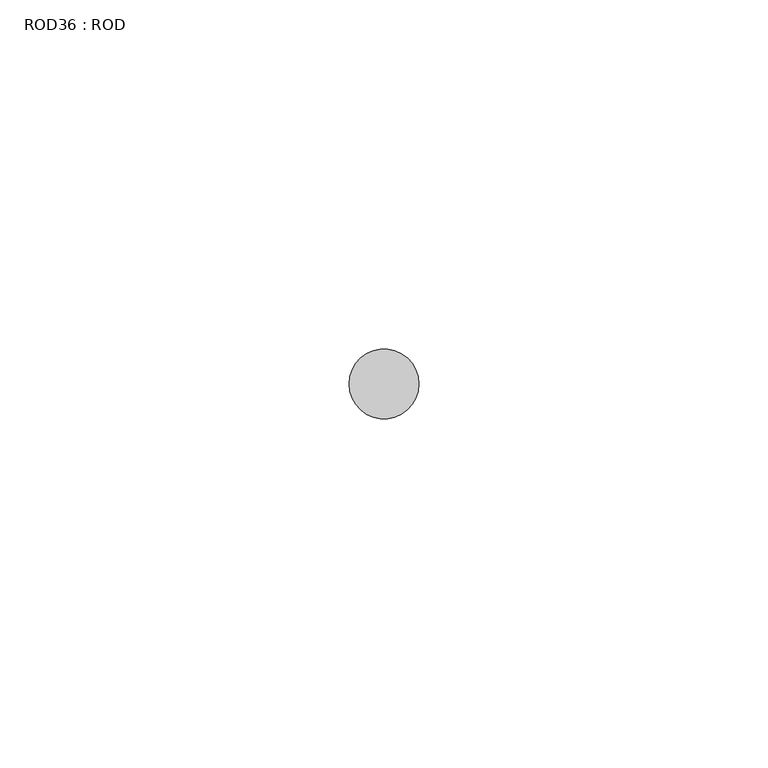
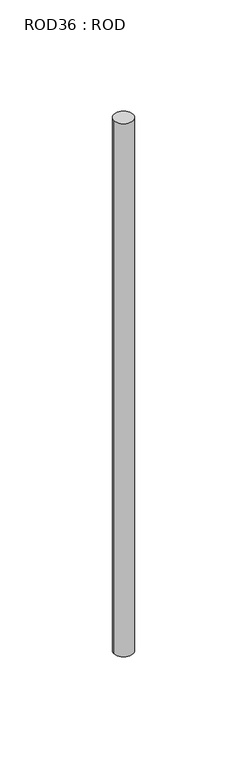
"""IFC4 building model written with IfcOpenShell, lengths in millimetres: proxy geometry, ROD36 : ROD."""

import ifcopenshell
import ifcopenshell.guid

model = None  # the IFC model being written
_history = None  # IfcOwnerHistory: only IFC2X3 demands one
_inside = {}  # id of a spatial element -> (the spatial element, [elements in it])
_under = {}  # id of a project, library or spatial element -> (it, [spatial elements below it])
_declared = {}  # id of a project -> (the project, [libraries it declares])
_typed = {}  # id of a type object -> (the type object, [elements of that type])
_made_of = {}  # id of a material, layer set ... -> (it, [elements and type objects made of it])


def new_model(schema):
    """Start an empty IFC model of exactly this schema.

    Asked for "IFC4X3", IfcOpenShell would pick the latest addendum, in which some entities
    have other attributes; the version numbers below select the first issue.
    IFC2X3 requires an IfcOwnerHistory on every rooted entity: one is made here for all.
    """
    global model, _history
    if schema == "IFC4X3":
        model = ifcopenshell.file(schema_version=(4, 3, 0, 0))
    else:
        model = ifcopenshell.file(schema=schema)
    _inside.clear()
    _under.clear()
    _declared.clear()
    _typed.clear()
    _made_of.clear()
    _history = None
    if model.schema == "IFC2X3":
        org = make("IfcOrganization", Name="unknown")
        user = make(
            "IfcPersonAndOrganization",
            ThePerson=make("IfcPerson", FamilyName="unknown"),
            TheOrganization=org,
        )
        app = make(
            "IfcApplication",
            ApplicationDeveloper=org,
            Version="unknown",
            ApplicationFullName="unknown",
            ApplicationIdentifier="unknown",
        )
        _history = make(
            "IfcOwnerHistory",
            OwningUser=user,
            OwningApplication=app,
            ChangeAction="ADDED",
            CreationDate=0,
        )
    return model


def make(cls, **values):
    """One entity of the class cls with the attributes given. An attribute that is None is left unset."""
    return model.create_entity(
        cls, **{name: value for name, value in values.items() if value is not None}
    )


def rooted(cls, **values):
    """An entity with a GlobalId (a new one), such as an element, a storey or a relation."""
    return make(cls, GlobalId=ifcopenshell.guid.new(), OwnerHistory=_history, **values)


def si_unit(unit_type, name, prefix=None):
    """IfcSIUnit, for example si_unit("LENGTHUNIT", "METRE", prefix="MILLI")."""
    return make("IfcSIUnit", UnitType=unit_type, Prefix=prefix, Name=name)


def assignment(units):
    """IfcUnitAssignment: the units of a project."""
    return None if units is None else make("IfcUnitAssignment", Units=units)


def point(xyz):
    """IfcCartesianPoint."""
    return None if xyz is None else make("IfcCartesianPoint", Coordinates=xyz)


def direction(xyz):
    """IfcDirection."""
    return None if xyz is None else make("IfcDirection", DirectionRatios=xyz)


def frame(location, z_axis=None, x_axis=None):
    """IfcAxis2Placement3D, a coordinate frame: its origin and axes. An axis left out is left unset."""
    return make(
        "IfcAxis2Placement3D",
        Location=point(location),
        Axis=direction(z_axis),
        RefDirection=direction(x_axis),
    )


def frame_2d(location, x_axis=None):
    """IfcAxis2Placement2D, a coordinate frame in the plane: its origin and x axis."""
    return make(
        "IfcAxis2Placement2D", Location=point(location), RefDirection=direction(x_axis)
    )


def origin():
    """The frame at (0, 0, 0) with its axes left unset."""
    return frame((0.0, 0.0, 0.0))


def place(relative_to, where):
    """IfcLocalPlacement: puts the frame where relative to a parent placement (None: the world)."""
    return make(
        "IfcLocalPlacement", PlacementRelTo=relative_to, RelativePlacement=where
    )


def context(
    kind, dimensions, precision=None, world=None, true_north=None, identifier=None
):
    """IfcGeometricRepresentationContext, for example the 3D "Model" context."""
    return make(
        "IfcGeometricRepresentationContext",
        ContextIdentifier=identifier,
        ContextType=kind,
        CoordinateSpaceDimension=dimensions,
        Precision=precision,
        WorldCoordinateSystem=world,
        TrueNorth=true_north,
    )


def project(units=None, contexts=None):
    """IfcProject with its units and contexts."""
    return rooted(
        "IfcProject",
        Name="project",
        RepresentationContexts=contexts,
        UnitsInContext=assignment(units),
    )


def spatial(cls, under=None, at=None, **own):
    """A site, building, storey or space (cls), placed at a placement, below another one or the project."""
    s = rooted(cls, ObjectPlacement=at, **own)
    if under is not None:
        _under.setdefault(under.id(), (under, []))[1].append(s)
    return s


def circle_curve(where, radius):
    """IfcCircle in the frame where."""
    return make("IfcCircle", Position=where, Radius=radius)


def trimmed(basis, trim1, trim2, sense, master):
    """IfcTrimmedCurve: the piece of a basis curve between two trims."""
    return make(
        "IfcTrimmedCurve",
        BasisCurve=basis,
        Trim1=trim1,
        Trim2=trim2,
        SenseAgreement=sense,
        MasterRepresentation=master,
    )


def segment(curve, same_sense, transition):
    """IfcCompositeCurveSegment."""
    return make(
        "IfcCompositeCurveSegment",
        Transition=transition,
        SameSense=same_sense,
        ParentCurve=curve,
    )


def composite_curve(segments, self_intersect=None):
    """IfcCompositeCurve: segments joined end to end."""
    return make("IfcCompositeCurve", Segments=segments, SelfIntersect=self_intersect)


def outline(outer, holes=None, kind="AREA"):
    """IfcArbitraryClosedProfileDef: a profile drawn as a closed curve; with holes, ...WithVoids."""
    if holes is None:
        return make("IfcArbitraryClosedProfileDef", ProfileType=kind, OuterCurve=outer)
    return make(
        "IfcArbitraryProfileDefWithVoids",
        ProfileType=kind,
        OuterCurve=outer,
        InnerCurves=holes,
    )


def extrude(swept, where, along, depth):
    """IfcExtrudedAreaSolid: the profile swept, set in the frame where, extruded along a direction by depth."""
    return make(
        "IfcExtrudedAreaSolid",
        SweptArea=swept,
        Position=where,
        ExtrudedDirection=direction(along),
        Depth=depth,
    )


def shape(context_of_items, identifier, shape_type, items):
    """IfcShapeRepresentation: the items that make up one representation, for example the "Body"."""
    return make(
        "IfcShapeRepresentation",
        ContextOfItems=context_of_items,
        RepresentationIdentifier=identifier,
        RepresentationType=shape_type,
        Items=items,
    )


def source(mapping_origin, context_of_items, identifier, shape_type, items):
    """IfcRepresentationMap: a shape defined once, which mapped items show again and again."""
    return make(
        "IfcRepresentationMap",
        MappingOrigin=mapping_origin,
        MappedRepresentation=shape(context_of_items, identifier, shape_type, items),
    )


def transform(
    local_origin,
    x_axis=None,
    y_axis=None,
    z_axis=None,
    scale=None,
    scale2=None,
    scale3=None,
    uniform=True,
):
    """IfcCartesianTransformationOperator3D, or its non-uniform kind. x_axis, y_axis, z_axis: its Axis1, 2, 3."""
    if uniform:
        return make(
            "IfcCartesianTransformationOperator3D",
            Axis1=direction(x_axis),
            Axis2=direction(y_axis),
            LocalOrigin=point(local_origin),
            Scale=scale,
            Axis3=direction(z_axis),
        )
    return make(
        "IfcCartesianTransformationOperator3DnonUniform",
        Axis1=direction(x_axis),
        Axis2=direction(y_axis),
        LocalOrigin=point(local_origin),
        Scale=scale,
        Axis3=direction(z_axis),
        Scale2=scale2,
        Scale3=scale3,
    )


def mapped(mapping_source, mapping_target):
    """IfcMappedItem: shows the shape of a source again, moved by a transform."""
    return make(
        "IfcMappedItem", MappingSource=mapping_source, MappingTarget=mapping_target
    )


def made_of(thing, what):
    """Note that an element or type object is made of a material, layer set ...; save() writes the relation."""
    if what is not None:
        _made_of.setdefault(what.id(), (what, []))[1].append(thing)
    return thing


def element(
    cls,
    number,
    at=None,
    inside=None,
    cuts=None,
    type_object=None,
    material=None,
    context=None,
    identifier="Body",
    shape_type=None,
    held_by="IfcProductDefinitionShape",
    body=None,
    shapes=None,
    **own,
):
    """One element of the class cls, such as IfcWall. Its Tag is "e" and its number.

    at: its placement. inside: the storey or other place that contains it. cuts: it is an
    opening in that element (IfcRelVoidsElement). A single representation is given by context,
    identifier, shape_type and body (its items); several are given by shapes. held_by: the class
    of the entity that holds the representations. save() writes the other relations.
    """
    e = rooted(cls, Tag="e%d" % number, ObjectPlacement=at, **own)
    if body is not None:
        shapes = [shape(context, identifier, shape_type, body)]
    if shapes is not None:
        e.Representation = make(held_by, Representations=shapes)
    if inside is not None:
        _inside.setdefault(inside.id(), (inside, []))[1].append(e)
    if cuts is not None:
        rooted(
            "IfcRelVoidsElement", RelatingBuildingElement=cuts, RelatedOpeningElement=e
        )
    if type_object is not None:
        _typed.setdefault(type_object.id(), (type_object, []))[1].append(e)
    return made_of(e, material)


def aggregate(whole, parts):
    """IfcRelAggregates: a whole, such as a stair, and the parts it consists of."""
    return rooted("IfcRelAggregates", RelatingObject=whole, RelatedObjects=parts)


def save(model, path):
    """Write the relations noted so far, then the file.

    IfcRelAggregates (storeys below a building ...), IfcRelContainedInSpatialStructure (elements
    in a storey), IfcRelDefinesByType, IfcRelAssociatesMaterial and IfcRelDeclares: one each for
    every whole, place, type object, material and project.
    """
    for whole, parts in _under.values():
        aggregate(whole, parts)
    for where, things in _inside.values():
        rooted(
            "IfcRelContainedInSpatialStructure",
            RelatedElements=things,
            RelatingStructure=where,
        )
    for kind, things in _typed.values():
        rooted("IfcRelDefinesByType", RelatedObjects=things, RelatingType=kind)
    for what, things in _made_of.values():
        rooted("IfcRelAssociatesMaterial", RelatedObjects=things, RelatingMaterial=what)
    for by, libraries in _declared.values():
        rooted("IfcRelDeclares", RelatingContext=by, RelatedDefinitions=libraries)
    model.write(path)


def rod36_rod_8742c790(model_context):
    return source(origin(), model_context, "Body", "SweptSolid", [
        extrude(outline(composite_curve([segment(trimmed(circle_curve(frame_2d((7499.7673324, 833.3971576)), 5.0), [point((7494.7673324, 833.3971576))], [point((7504.7673324, 833.3971576))], False, "CARTESIAN"), True, "CONTINUOUS"), segment(trimmed(circle_curve(frame_2d((7499.7673324, 833.3971576)), 5.0), [point((7504.7673324, 833.3971576))], [point((7494.7673324, 833.3971576))], False, "CARTESIAN"), True, "CONTINUOUS")], self_intersect=False)), frame((0.0, 0.0, -108.6608845), z_axis=(0.0, 0.0, 1.0), x_axis=(1.0, 0.0, 0.0)), (0.0, 0.0, 1.0), 298.9028972),
    ])


if __name__ == "__main__":
    model = new_model("IFC4")
    model_context = context("Model", 3, world=origin())
    ifc_project = project(units=[si_unit("LENGTHUNIT", "METRE", prefix="MILLI")], contexts=[model_context])
    site = spatial("IfcSite", under=ifc_project)
    building = spatial("IfcBuilding", under=site)
    placement = place(None, origin())
    rod36_rod_shape = rod36_rod_8742c790(model_context)
    element("IfcBuildingElementProxy", 1, Name="ROD36 : ROD", ObjectType="ROD36 : ROD", at=placement, inside=building, context=model_context, shape_type="MappedRepresentation", body=[
        mapped(rod36_rod_shape, transform((0.0, 0.0, 0.0), x_axis=(1.0, 0.0, 0.0), y_axis=(0.0, 1.0, 0.0), z_axis=(0.0, 0.0, 1.0))),
    ])
    save(model, "model.ifc")
